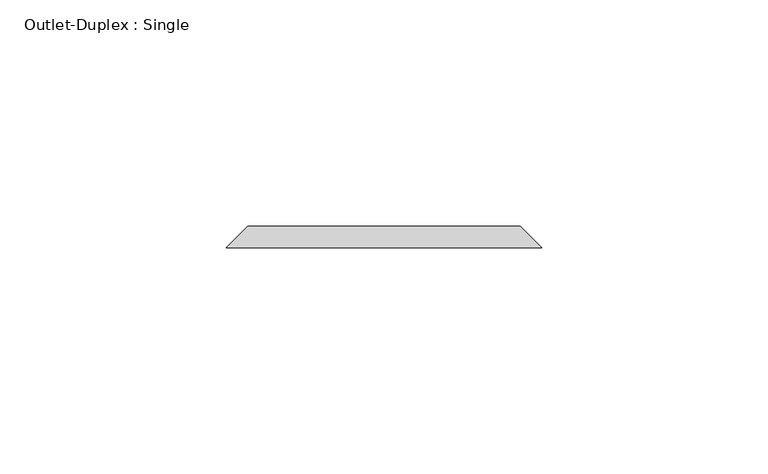
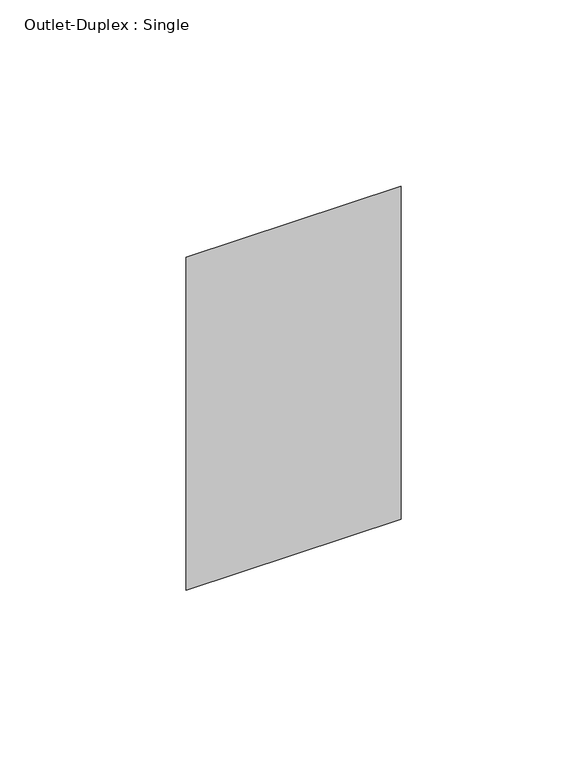
"""IFC4 building model written with IfcOpenShell, lengths in millimetres: proxy geometry, Outlet-Duplex : Single."""

from ifc_helpers import new_model, si_unit, origin, place, context, project, spatial, faceted_brep, source, transform, mapped, element, save


def outlet_duplex_single_5e711ab5(model_context):
    return source(origin(), model_context, "Body", "Brep", [
        faceted_brep([(-30.1625, 61.9125, 357.1875), (30.1625, 61.9125, 357.1875), (30.1625, 61.9125, 252.4125), (-30.1625, 61.9125, 252.4125), (-34.925, 57.15, 361.95), (-34.925, 57.15, 247.65), (34.925, 57.15, 247.65), (34.925, 57.15, 361.95)], [[[0, 1, 2, 3]], [[4, 5, 6, 7]], [[4, 7, 1, 0]], [[7, 6, 2, 1]], [[6, 5, 3, 2]], [[5, 4, 0, 3]]]),
    ])


if __name__ == "__main__":
    model = new_model("IFC4")
    model_context = context("Model", 3, world=origin())
    ifc_project = project(units=[si_unit("LENGTHUNIT", "METRE", prefix="MILLI")], contexts=[model_context])
    site = spatial("IfcSite", under=ifc_project)
    building = spatial("IfcBuilding", under=site)
    placement = place(None, origin())
    outlet_duplex_single_shape = outlet_duplex_single_5e711ab5(model_context)
    element("IfcBuildingElementProxy", 1, Name="Outlet-Duplex : Single", ObjectType="Outlet-Duplex : Single", at=placement, inside=building, context=model_context, shape_type="MappedRepresentation", body=[
        mapped(outlet_duplex_single_shape, transform((0.0, 0.0, 0.0), x_axis=(1.0, 0.0, 0.0), y_axis=(0.0, 1.0, 0.0), z_axis=(0.0, 0.0, 1.0))),
    ])
    save(model, "model.ifc")
